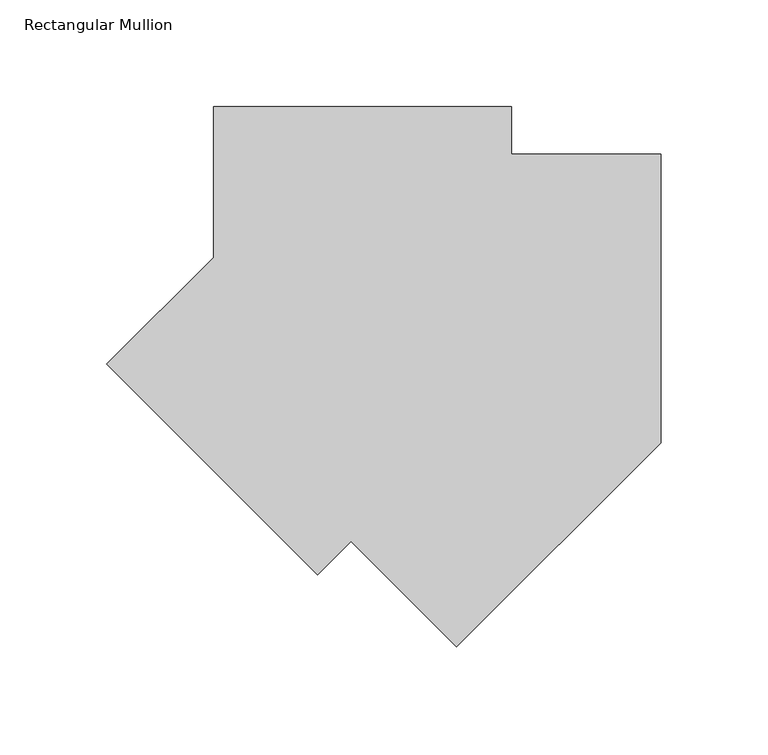
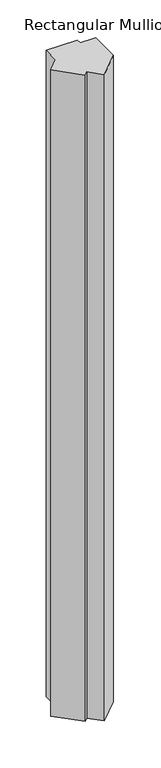
"""IFC4 building model written with IfcOpenShell, lengths in millimetres: member geometry, Rectangular Mullion."""

import ifcopenshell
import ifcopenshell.guid

model = None  # the IFC model being written
_history = None  # IfcOwnerHistory: only IFC2X3 demands one
_inside = {}  # id of a spatial element -> (the spatial element, [elements in it])
_under = {}  # id of a project, library or spatial element -> (it, [spatial elements below it])
_declared = {}  # id of a project -> (the project, [libraries it declares])
_typed = {}  # id of a type object -> (the type object, [elements of that type])
_made_of = {}  # id of a material, layer set ... -> (it, [elements and type objects made of it])


def new_model(schema):
    """Start an empty IFC model of exactly this schema.

    Asked for "IFC4X3", IfcOpenShell would pick the latest addendum, in which some entities
    have other attributes; the version numbers below select the first issue.
    IFC2X3 requires an IfcOwnerHistory on every rooted entity: one is made here for all.
    """
    global model, _history
    if schema == "IFC4X3":
        model = ifcopenshell.file(schema_version=(4, 3, 0, 0))
    else:
        model = ifcopenshell.file(schema=schema)
    _inside.clear()
    _under.clear()
    _declared.clear()
    _typed.clear()
    _made_of.clear()
    _history = None
    if model.schema == "IFC2X3":
        org = make("IfcOrganization", Name="unknown")
        user = make(
            "IfcPersonAndOrganization",
            ThePerson=make("IfcPerson", FamilyName="unknown"),
            TheOrganization=org,
        )
        app = make(
            "IfcApplication",
            ApplicationDeveloper=org,
            Version="unknown",
            ApplicationFullName="unknown",
            ApplicationIdentifier="unknown",
        )
        _history = make(
            "IfcOwnerHistory",
            OwningUser=user,
            OwningApplication=app,
            ChangeAction="ADDED",
            CreationDate=0,
        )
    return model


def make(cls, **values):
    """One entity of the class cls with the attributes given. An attribute that is None is left unset."""
    return model.create_entity(
        cls, **{name: value for name, value in values.items() if value is not None}
    )


def rooted(cls, **values):
    """An entity with a GlobalId (a new one), such as an element, a storey or a relation."""
    return make(cls, GlobalId=ifcopenshell.guid.new(), OwnerHistory=_history, **values)


def si_unit(unit_type, name, prefix=None):
    """IfcSIUnit, for example si_unit("LENGTHUNIT", "METRE", prefix="MILLI")."""
    return make("IfcSIUnit", UnitType=unit_type, Prefix=prefix, Name=name)


def assignment(units):
    """IfcUnitAssignment: the units of a project."""
    return None if units is None else make("IfcUnitAssignment", Units=units)


def point(xyz):
    """IfcCartesianPoint."""
    return None if xyz is None else make("IfcCartesianPoint", Coordinates=xyz)


def direction(xyz):
    """IfcDirection."""
    return None if xyz is None else make("IfcDirection", DirectionRatios=xyz)


def frame(location, z_axis=None, x_axis=None):
    """IfcAxis2Placement3D, a coordinate frame: its origin and axes. An axis left out is left unset."""
    return make(
        "IfcAxis2Placement3D",
        Location=point(location),
        Axis=direction(z_axis),
        RefDirection=direction(x_axis),
    )


def origin():
    """The frame at (0, 0, 0) with its axes left unset."""
    return frame((0.0, 0.0, 0.0))


def place(relative_to, where):
    """IfcLocalPlacement: puts the frame where relative to a parent placement (None: the world)."""
    return make(
        "IfcLocalPlacement", PlacementRelTo=relative_to, RelativePlacement=where
    )


def context(
    kind, dimensions, precision=None, world=None, true_north=None, identifier=None
):
    """IfcGeometricRepresentationContext, for example the 3D "Model" context."""
    return make(
        "IfcGeometricRepresentationContext",
        ContextIdentifier=identifier,
        ContextType=kind,
        CoordinateSpaceDimension=dimensions,
        Precision=precision,
        WorldCoordinateSystem=world,
        TrueNorth=true_north,
    )


def project(units=None, contexts=None):
    """IfcProject with its units and contexts."""
    return rooted(
        "IfcProject",
        Name="project",
        RepresentationContexts=contexts,
        UnitsInContext=assignment(units),
    )


def spatial(cls, under=None, at=None, **own):
    """A site, building, storey or space (cls), placed at a placement, below another one or the project."""
    s = rooted(cls, ObjectPlacement=at, **own)
    if under is not None:
        _under.setdefault(under.id(), (under, []))[1].append(s)
    return s


def polyline(points):
    """IfcPolyline through the points."""
    return make("IfcPolyline", Points=[point(p) for p in points])


def outline(outer, holes=None, kind="AREA"):
    """IfcArbitraryClosedProfileDef: a profile drawn as a closed curve; with holes, ...WithVoids."""
    if holes is None:
        return make("IfcArbitraryClosedProfileDef", ProfileType=kind, OuterCurve=outer)
    return make(
        "IfcArbitraryProfileDefWithVoids",
        ProfileType=kind,
        OuterCurve=outer,
        InnerCurves=holes,
    )


def extrude(swept, where, along, depth):
    """IfcExtrudedAreaSolid: the profile swept, set in the frame where, extruded along a direction by depth."""
    return make(
        "IfcExtrudedAreaSolid",
        SweptArea=swept,
        Position=where,
        ExtrudedDirection=direction(along),
        Depth=depth,
    )


def shape(context_of_items, identifier, shape_type, items):
    """IfcShapeRepresentation: the items that make up one representation, for example the "Body"."""
    return make(
        "IfcShapeRepresentation",
        ContextOfItems=context_of_items,
        RepresentationIdentifier=identifier,
        RepresentationType=shape_type,
        Items=items,
    )


def source(mapping_origin, context_of_items, identifier, shape_type, items):
    """IfcRepresentationMap: a shape defined once, which mapped items show again and again."""
    return make(
        "IfcRepresentationMap",
        MappingOrigin=mapping_origin,
        MappedRepresentation=shape(context_of_items, identifier, shape_type, items),
    )


def transform(
    local_origin,
    x_axis=None,
    y_axis=None,
    z_axis=None,
    scale=None,
    scale2=None,
    scale3=None,
    uniform=True,
):
    """IfcCartesianTransformationOperator3D, or its non-uniform kind. x_axis, y_axis, z_axis: its Axis1, 2, 3."""
    if uniform:
        return make(
            "IfcCartesianTransformationOperator3D",
            Axis1=direction(x_axis),
            Axis2=direction(y_axis),
            LocalOrigin=point(local_origin),
            Scale=scale,
            Axis3=direction(z_axis),
        )
    return make(
        "IfcCartesianTransformationOperator3DnonUniform",
        Axis1=direction(x_axis),
        Axis2=direction(y_axis),
        LocalOrigin=point(local_origin),
        Scale=scale,
        Axis3=direction(z_axis),
        Scale2=scale2,
        Scale3=scale3,
    )


def mapped(mapping_source, mapping_target):
    """IfcMappedItem: shows the shape of a source again, moved by a transform."""
    return make(
        "IfcMappedItem", MappingSource=mapping_source, MappingTarget=mapping_target
    )


def made_of(thing, what):
    """Note that an element or type object is made of a material, layer set ...; save() writes the relation."""
    if what is not None:
        _made_of.setdefault(what.id(), (what, []))[1].append(thing)
    return thing


def element(
    cls,
    number,
    at=None,
    inside=None,
    cuts=None,
    type_object=None,
    material=None,
    context=None,
    identifier="Body",
    shape_type=None,
    held_by="IfcProductDefinitionShape",
    body=None,
    shapes=None,
    **own,
):
    """One element of the class cls, such as IfcWall. Its Tag is "e" and its number.

    at: its placement. inside: the storey or other place that contains it. cuts: it is an
    opening in that element (IfcRelVoidsElement). A single representation is given by context,
    identifier, shape_type and body (its items); several are given by shapes. held_by: the class
    of the entity that holds the representations. save() writes the other relations.
    """
    e = rooted(cls, Tag="e%d" % number, ObjectPlacement=at, **own)
    if body is not None:
        shapes = [shape(context, identifier, shape_type, body)]
    if shapes is not None:
        e.Representation = make(held_by, Representations=shapes)
    if inside is not None:
        _inside.setdefault(inside.id(), (inside, []))[1].append(e)
    if cuts is not None:
        rooted(
            "IfcRelVoidsElement", RelatingBuildingElement=cuts, RelatedOpeningElement=e
        )
    if type_object is not None:
        _typed.setdefault(type_object.id(), (type_object, []))[1].append(e)
    return made_of(e, material)


def aggregate(whole, parts):
    """IfcRelAggregates: a whole, such as a stair, and the parts it consists of."""
    return rooted("IfcRelAggregates", RelatingObject=whole, RelatedObjects=parts)


def save(model, path):
    """Write the relations noted so far, then the file.

    IfcRelAggregates (storeys below a building ...), IfcRelContainedInSpatialStructure (elements
    in a storey), IfcRelDefinesByType, IfcRelAssociatesMaterial and IfcRelDeclares: one each for
    every whole, place, type object, material and project.
    """
    for whole, parts in _under.values():
        aggregate(whole, parts)
    for where, things in _inside.values():
        rooted(
            "IfcRelContainedInSpatialStructure",
            RelatedElements=things,
            RelatingStructure=where,
        )
    for kind, things in _typed.values():
        rooted("IfcRelDefinesByType", RelatedObjects=things, RelatingType=kind)
    for what, things in _made_of.values():
        rooted("IfcRelAssociatesMaterial", RelatedObjects=things, RelatingMaterial=what)
    for by, libraries in _declared.values():
        rooted("IfcRelDeclares", RelatingContext=by, RelatedDefinitions=libraries)
    model.write(path)


def rectangular_mullion_24756b85(model_context):
    return source(origin(), model_context, "Body", "SweptSolid", [
        extrude(outline(polyline([(-160.7108881, -129.4238942), (-259.5026639, -30.6321185), (-209.5499894, 19.320556), (-209.5499894, 89.9608561), (-69.9774673, 89.9608561), (-69.9774673, 67.7359754), (0.0, 67.7359754), (0.0, 45.5107489), (0.0, -67.4778916), (-95.6130774, -163.090969), (-144.9955201, -113.7085263), (-160.7108881, -129.4238942)])), frame((0.0, 0.0, -3048.0), z_axis=(0.0, 0.0, 1.0), x_axis=(1.0, 0.0, 0.0)), (0.0, 0.0, 1.0), 3048.0),
    ])


if __name__ == "__main__":
    model = new_model("IFC4")
    model_context = context("Model", 3, world=origin())
    ifc_project = project(units=[si_unit("LENGTHUNIT", "METRE", prefix="MILLI")], contexts=[model_context])
    site = spatial("IfcSite", under=ifc_project)
    building = spatial("IfcBuilding", under=site)
    placement = place(None, origin())
    rectangular_mullion_shape = rectangular_mullion_24756b85(model_context)
    element("IfcMember", 1, ObjectType="Rectangular Mullion", at=placement, inside=building, context=model_context, shape_type="MappedRepresentation", body=[
        mapped(rectangular_mullion_shape, transform((0.0, 0.0, 0.0), x_axis=(1.0, 0.0, 0.0), y_axis=(0.0, 1.0, 0.0), z_axis=(0.0, 0.0, 1.0))),
    ])
    save(model, "model.ifc")
